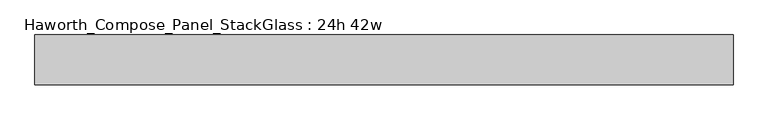
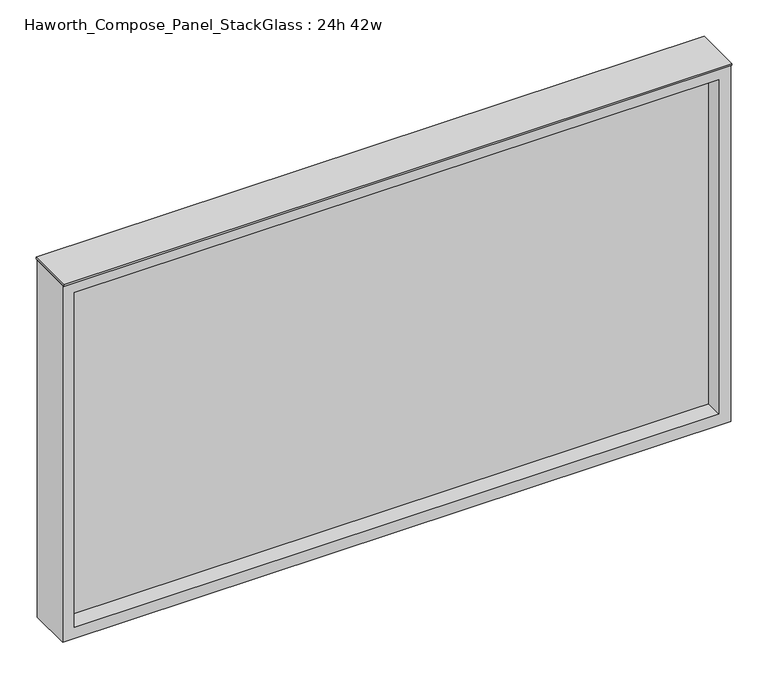
"""IFC4 building model written with IfcOpenShell, lengths in millimetres: furniture geometry, Haworth_Compose_Panel_StackGlass : 24h 42w."""

from ifc_helpers import new_model, si_unit, frame, origin, place, context, project, spatial, polyline, outline, extrude, source, transform, mapped, element, save


def haworth_compose_panel_stackglass_24h_42w_e18b494c(model_context):
    return source(origin(), model_context, "Body", "SweptSolid", [
        extrude(outline(polyline([(516.7902902, -6.35), (-511.9097098, -6.35), (-511.9097098, 6.35), (516.7902902, 6.35), (516.7902902, -6.35)])), frame((0.0, 0.0, 1085.85), z_axis=(0.0, 0.0, 1.0), x_axis=(1.0, 0.0, 0.0)), (0.0, 0.0, 1.0), 565.15),
        extrude(outline(polyline([(1670.05, -530.9597098), (1066.8, -530.9597098), (1066.8, 535.8402902), (1670.05, 535.8402902), (1670.05, -530.9597098)]), holes=[polyline([(1651.0, 516.7902902), (1085.85, 516.7902902), (1085.85, -511.9097098), (1651.0, -511.9097098), (1651.0, 516.7902902)])]), frame((0.0, -34.925, 0.0), z_axis=(0.0, 1.0, 0.0), x_axis=(0.0, 0.0, 1.0)), (0.0, 0.0, 1.0), 69.85),
        extrude(outline(polyline([(-530.9597098, -38.1), (-530.9597098, 38.1), (535.8402902, 38.1), (535.8402902, -38.1), (-530.9597098, -38.1)])), frame((0.0, 0.0, 1670.05), z_axis=(0.0, 0.0, 1.0), x_axis=(1.0, 0.0, 0.0)), (0.0, 0.0, 1.0), 3.175),
    ])


if __name__ == "__main__":
    model = new_model("IFC4")
    model_context = context("Model", 3, world=origin())
    ifc_project = project(units=[si_unit("LENGTHUNIT", "METRE", prefix="MILLI")], contexts=[model_context])
    site = spatial("IfcSite", under=ifc_project)
    building = spatial("IfcBuilding", under=site)
    placement = place(None, origin())
    haworth_compose_panel_stackglass_24h_42w_shape = haworth_compose_panel_stackglass_24h_42w_e18b494c(model_context)
    element("IfcFurniture", 1, ObjectType="Haworth_Compose_Panel_StackGlass : 24h 42w", at=placement, inside=building, context=model_context, shape_type="MappedRepresentation", body=[
        mapped(haworth_compose_panel_stackglass_24h_42w_shape, transform((0.0, 0.0, 0.0), x_axis=(1.0, 0.0, 0.0), y_axis=(0.0, 1.0, 0.0), z_axis=(0.0, 0.0, 1.0))),
    ])
    save(model, "model.ifc")
